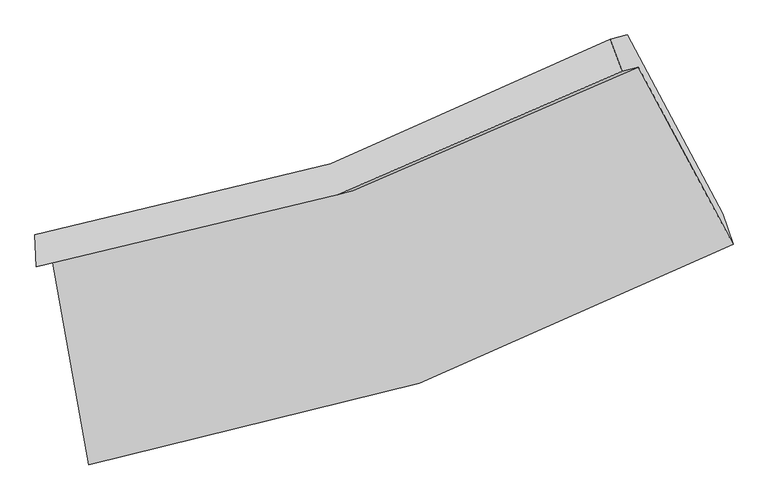
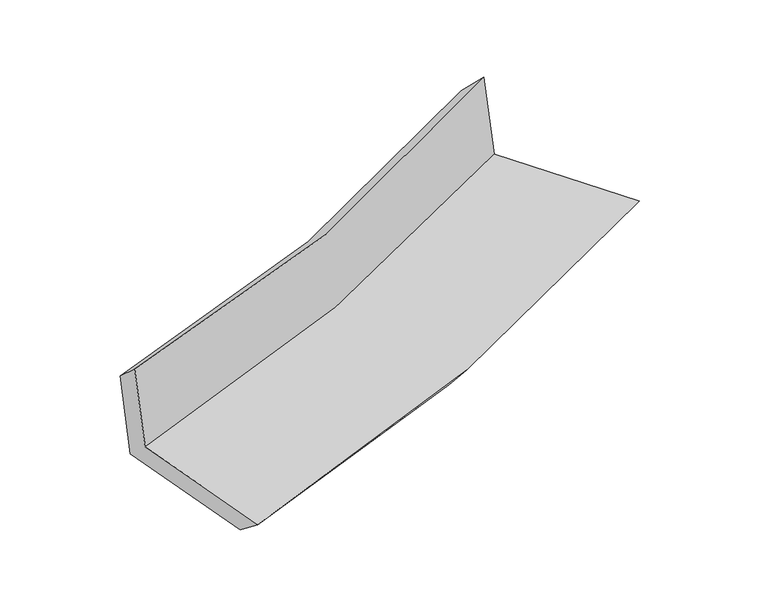
"""IFC4 building model written with IfcOpenShell, lengths in millimetres: proxy geometry."""

from ifc_helpers import new_model, si_unit, frame, origin, place, context, project, spatial, source, transform, mapped, element, save
from ifc_brep_helpers import plane_surface, spline_curve, spline_surface, advanced_brep


def generic_models_7b083037(model_context):
    return source(origin(), model_context, "Body", "AdvancedBrep", [
        advanced_brep(
        [(-1019.8761593, -1783.5378157, 1727.8773905), (-901.4126654, -2446.2221928, 1722.1216996), (1211.5966482, -1723.719746, 2066.9176163), (901.30956, -1143.165742, 2043.7117477), (-1073.6071012, -1796.5545042, 2120.6714277), (848.2503209, -1156.019706, 2431.5953777), (-1078.6156267, -1692.5112915, 2026.3194294), (808.4360694, -1050.2054186, 2319.1619118), (-1024.8083217, -1679.4761035, 1632.9671475), (863.8666712, -1036.7769757, 1913.9427006), (-909.3063229, -2325.5938867, 1627.3553444), (1177.2463217, -1623.1172322, 1937.379857)],
        [
            (0, 1),
            (1, 2, spline_curve(3, [(-901.4126654, -2446.2221928, 1722.1216996), (-530.080376405, -2388.165400913, 1788.680292116), (-168.72479652, -2299.145299914, 1850.635267491), (535.70692658, -2058.606874314, 1965.611207791), (878.687784527, -1906.792826371, 2018.588204653), (1211.5966482, -1723.719746, 2066.9176163)], [4, 2, 4], [0.0, 0.4988118214975224, 1.0])),
            (2, 3),
            (3, 0, spline_curve(3, [(901.30956, -1143.165742, 2043.7117477), (597.468415664, -1306.383546489, 2000.016535425), (285.048243158, -1441.416783136, 1951.776079456), (-355.428157776, -1654.607503403, 1846.454960523), (-683.403224978, -1733.031624682, 1789.417297413), (-1019.8761593, -1783.5378157, 1727.8773905)], [4, 2, 4], [0.0, 0.5011881785024777, 1.0])),
            (4, 0),
            (3, 5),
            (5, 4, spline_curve(3, [(848.2503209, -1156.019706, 2431.5953777), (546.453681853, -1318.74221508, 2372.954038259), (234.997091175, -1453.542017427, 2317.669424969), (-405.713436625, -1666.789456527, 2214.059864336), (-734.875986669, -1745.501253571, 2165.703160922), (-1073.6071012, -1796.5545042, 2120.6714277)], [4, 2, 4], [0.0, 0.5011881785024777, 1.0])),
            (6, 4),
            (5, 7),
            (7, 6, spline_curve(3, [(808.4360694, -1050.2054186, 2319.1619118), (512.699156922, -1216.205347402, 2273.967237732), (207.179508101, -1352.788257257, 2226.903939035), (-421.930272666, -1566.61191779, 2129.272100269), (-745.427855861, -1644.130965535, 2078.72123819), (-1078.6156267, -1692.5112915, 2026.3194294)], [4, 2, 4], [0.0, 0.5011881785024777, 1.0])),
            (8, 6),
            (7, 9),
            (9, 8, spline_curve(3, [(863.8666712, -1036.7769757, 1913.9427006), (568.726697064, -1202.6322921, 1864.384175566), (263.368889763, -1339.175994769, 1816.137752738), (-366.286106103, -1553.131737403, 1722.491648038), (-690.48662978, -1630.821077392, 1677.07955321), (-1024.8083217, -1679.4761035, 1632.9671475)], [4, 2, 4], [0.0, 0.5011881785024777, 1.0])),
            (10, 8),
            (9, 11),
            (11, 10, spline_curve(3, [(1177.2463217, -1623.1172322, 1937.379857), (850.676533939, -1804.927669761, 1882.993263936), (513.072895327, -1954.43513962, 1829.906278329), (-182.549037673, -2188.288425087, 1726.577068962), (-540.46294722, -2272.939840045, 1676.322550357), (-909.3063229, -2325.5938867, 1627.3553444)], [4, 2, 4], [0.0, 0.5011881785024777, 1.0])),
            (1, 10),
            (11, 2),
        ],
        [
            spline_surface(3, 3, [[(-1019.8761593, -1783.5378157, 1727.8773905), (-683.403224978, -1733.031624688, 1789.417297415), (-355.428157779, -1654.6075034, 1846.454960516), (285.048243161, -1441.416783139, 1951.776079463), (597.468415664, -1306.383546494, 2000.016535425), (901.30956, -1143.165742, 2043.7117477)], [(-980.388327991, -2004.432608082, 1725.95882688), (-632.295608779, -1951.409550111, 1789.171628994), (-293.193704014, -1869.453435557, 1847.8483962), (368.601137643, -1647.146813511, 1956.387788931), (691.20820527, -1506.519973113, 2006.207091842), (1004.738589384, -1336.683743324, 2051.447037241)], [(-940.900496709, -2225.327400418, 1724.04026322), (-581.187992608, -2169.787475489, 1788.925960534), (-230.95925028, -2084.299367765, 1849.241831807), (452.154032093, -1852.876843934, 1960.999498322), (784.947994925, -1706.65639976, 2012.397648238), (1108.167618816, -1530.201744676, 2059.182326759)], [(-901.4126654, -2446.2221928, 1722.1216996), (-530.08037641, -2388.165400913, 1788.680292114), (-168.724796515, -2299.145299922, 1850.635267491), (535.706926574, -2058.606874305, 1965.61120779), (878.687784531, -1906.792826379, 2018.588204656), (1211.5966482, -1723.719746, 2066.9176163)]], [4, 4], [4, 2, 4], [0.0, 1.0], [0.0, 0.4988118214975224, 1.0]),
            spline_surface(3, 3, [[(-1073.6071012, -1796.5545042, 2120.6714277), (-734.87598667, -1745.50125357, 2165.703160922), (-405.713436632, -1666.789456527, 2214.059864333), (234.997091182, -1453.542017428, 2317.669424972), (546.453681861, -1318.742215087, 2372.954038257), (848.2503209, -1156.019706, 2431.5953777)], [(-1055.696787256, -1792.215608013, 1989.74008197), (-717.718399462, -1741.344710589, 2040.274539756), (-388.951677, -1662.728805486, 2091.524896369), (251.680808523, -1449.500272667, 2195.704976444), (563.458593147, -1314.622658894, 2248.641537332), (865.936733952, -1151.735051337, 2302.300834386)], [(-1037.786473244, -1787.876711887, 1858.80873623), (-700.560812186, -1737.188167669, 1914.845918581), (-372.189917411, -1658.66815444, 1968.989928481), (268.364525821, -1445.4585279, 2073.740527991), (580.463504378, -1310.503102688, 2124.32903635), (883.623146948, -1147.450396663, 2173.006291014)], [(-1019.8761593, -1783.5378157, 1727.8773905), (-683.403224978, -1733.031624688, 1789.417297415), (-355.428157779, -1654.6075034, 1846.454960516), (285.048243161, -1441.416783139, 1951.776079463), (597.468415664, -1306.383546494, 2000.016535425), (901.30956, -1143.165742, 2043.7117477)]], [4, 4], [4, 2, 4], [0.0, 1.0], [0.0, 0.4988118214975224, 1.0]),
            spline_surface(3, 3, [[(-1078.6156267, -1692.5112915, 2026.3194294), (-745.427855857, -1644.130965534, 2078.721238188), (-421.930272663, -1566.611917792, 2129.272100265), (207.179508097, -1352.788257254, 2226.903939039), (512.699156914, -1216.205347408, 2273.967237734), (808.4360694, -1050.2054186, 2319.1619118)], [(-1076.946118183, -1727.192362403, 2057.77009551), (-741.910566111, -1677.92106155, 2107.715212443), (-416.524660675, -1600.004430708, 2157.534688314), (216.45203577, -1386.372843983, 2257.159101043), (523.950665226, -1250.384303319, 2306.96283789), (821.707486563, -1085.476847751, 2356.639733748)], [(-1075.276609717, -1761.873433297, 2089.22076159), (-738.393276416, -1711.711157555, 2136.709186667), (-411.11904862, -1633.396943611, 2185.797276284), (225.72456351, -1419.957430699, 2287.414262968), (535.202173549, -1284.563259176, 2339.958438101), (834.978903737, -1120.748276849, 2394.117555752)], [(-1073.6071012, -1796.5545042, 2120.6714277), (-734.87598667, -1745.50125357, 2165.703160922), (-405.713436632, -1666.789456527, 2214.059864333), (234.997091182, -1453.542017428, 2317.669424972), (546.453681861, -1318.742215087, 2372.954038257), (848.2503209, -1156.019706, 2431.5953777)]], [4, 4], [4, 2, 4], [0.0, 1.0], [0.0, 0.4988118214975224, 1.0]),
            spline_surface(3, 3, [[(-1024.8083217, -1679.4761035, 1632.9671475), (-690.486629787, -1630.821077391, 1677.079553208), (-366.286106108, -1553.131737402, 1722.491648042), (263.368889768, -1339.17599477, 1816.137752735), (568.726697059, -1202.632292106, 1864.384175561), (863.8666712, -1036.7769757, 1913.9427006)], [(-1042.744090047, -1683.82116619, 1764.084574795), (-708.800371824, -1635.257706796, 1810.960114863), (-384.834161613, -1557.625130849, 1858.085132091), (244.63909589, -1343.713415582, 1953.05981481), (550.050850345, -1207.156643848, 2000.911862941), (845.389803934, -1041.253123308, 2049.01577099)], [(-1060.679858353, -1688.16622881, 1895.202002105), (-727.11411382, -1639.69433613, 1944.840676533), (-403.382217157, -1562.118524345, 1993.678616217), (225.909301975, -1348.250836443, 2089.981876963), (531.375003628, -1211.680995666, 2137.439550353), (826.912936666, -1045.729270992, 2184.08884141)], [(-1078.6156267, -1692.5112915, 2026.3194294), (-745.427855857, -1644.130965534, 2078.721238188), (-421.930272663, -1566.611917792, 2129.272100265), (207.179508097, -1352.788257254, 2226.903939039), (512.699156914, -1216.205347408, 2273.967237734), (808.4360694, -1050.2054186, 2319.1619118)]], [4, 4], [4, 2, 4], [0.0, 1.0], [0.0, 0.4988118214975224, 1.0]),
            spline_surface(3, 3, [[(-909.3063229, -2325.5938867, 1627.3553444), (-540.462947227, -2272.939840045, 1676.32255035), (-182.549037667, -2188.288425081, 1726.57706896), (513.072895321, -1954.435139626, 1829.90627833), (850.676533935, -1804.927669763, 1882.993263938), (1177.2463217, -1623.1172322, 1937.379857)], [(-947.806989148, -2110.22129227, 1629.225945422), (-590.470841395, -2058.900252463, 1676.574884625), (-243.794727139, -1976.569529187, 1725.215262014), (429.838226811, -1749.348758006, 1825.316769825), (756.693254979, -1604.162543876, 1876.790234496), (1072.786438203, -1427.670480032, 1929.56747155)], [(-986.307655452, -1894.84869793, 1631.096546478), (-640.478735619, -1844.860664973, 1676.827218933), (-305.040416636, -1764.850633296, 1723.853454988), (346.603558277, -1544.26237639, 1820.72726124), (662.709976015, -1403.397417993, 1870.587205003), (968.326554697, -1232.223727868, 1921.75508605)], [(-1024.8083217, -1679.4761035, 1632.9671475), (-690.486629787, -1630.821077391, 1677.079553208), (-366.286106108, -1553.131737402, 1722.491648042), (263.368889768, -1339.17599477, 1816.137752735), (568.726697059, -1202.632292106, 1864.384175561), (863.8666712, -1036.7769757, 1913.9427006)]], [4, 4], [4, 2, 4], [0.0, 1.0], [0.0, 0.4988118214975224, 1.0]),
            spline_surface(3, 3, [[(-901.4126654, -2446.2221928, 1722.1216996), (-530.08037641, -2388.165400913, 1788.680292114), (-168.724796515, -2299.145299922, 1850.635267491), (535.706926574, -2058.606874305, 1965.61120779), (878.687784531, -1906.792826379, 2018.588204656), (1211.5966482, -1723.719746, 2066.9176163)], [(-904.043884574, -2406.012757442, 1690.532914523), (-533.541233357, -2349.756880632, 1751.227711516), (-173.332876922, -2262.193008336, 1809.28253462), (528.162249466, -2023.882962774, 1920.376231277), (869.350700997, -1872.837774187, 1973.389891069), (1200.146539365, -1690.185574747, 2023.738363185)], [(-906.675103726, -2365.803322058, 1658.944129477), (-537.00209028, -2311.348360326, 1713.775130949), (-177.94095726, -2225.240716666, 1767.929801831), (520.617572428, -1989.159051158, 1875.141254844), (860.013617469, -1838.882721955, 1928.191577525), (1188.696430535, -1656.651403453, 1980.559110115)], [(-909.3063229, -2325.5938867, 1627.3553444), (-540.462947227, -2272.939840045, 1676.32255035), (-182.549037667, -2188.288425081, 1726.57706896), (513.072895321, -1954.435139626, 1829.90627833), (850.676533935, -1804.927669763, 1882.993263938), (1177.2463217, -1623.1172322, 1937.379857)]], [4, 4], [4, 2, 4], [0.0, 1.0], [0.0, 0.4988118214975224, 1.0]),
            plane_surface(frame((968.4509319, -1288.8341368, 2118.7848685), z_axis=(0.8716311293961896, 0.4712484246770129, 0.13484842048373002), x_axis=(-0.13545651766805009, -0.03281526889064055, 0.9902397133769582))),
            plane_surface(frame((-1001.2710329, -1953.9826324, 1809.5520732), z_axis=(-0.9750318650225269, -0.17309144192409354, -0.1391122385821291), x_axis=(-0.17596702535398334, 0.9843589339566469, 0.008549568866573307))),
        ],
        [
            (0, [[1, 2, 3, 4]]),
            (1, [[5, -4, 6, 7]]),
            (2, [[8, -7, 9, 10]]),
            (3, [[11, -10, 12, 13]]),
            (4, [[14, -13, 15, 16]]),
            (5, [[17, -16, 18, -2]]),
            (6, [[-12, -9, -6, -3, -18, -15]]),
            (7, [[-1, -5, -8, -11, -14, -17]]),
        ],
    ),
    ])


if __name__ == "__main__":
    model = new_model("IFC4")
    model_context = context("Model", 3, world=origin())
    ifc_project = project(units=[si_unit("LENGTHUNIT", "METRE", prefix="MILLI")], contexts=[model_context])
    site = spatial("IfcSite", under=ifc_project)
    building = spatial("IfcBuilding", under=site)
    placement = place(None, origin())
    generic_models_shape = generic_models_7b083037(model_context)
    element("IfcBuildingElementProxy", 1, Name="Generic Models", at=placement, inside=building, context=model_context, shape_type="MappedRepresentation", body=[
        mapped(generic_models_shape, transform((0.0, 0.0, 0.0), x_axis=(1.0, 0.0, 0.0), y_axis=(0.0, 1.0, 0.0), z_axis=(0.0, 0.0, 1.0))),
    ])
    save(model, "model.ifc")
